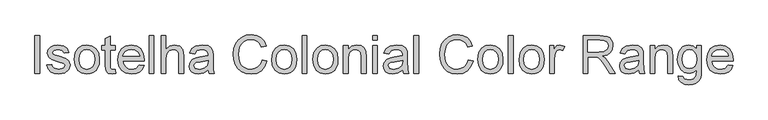
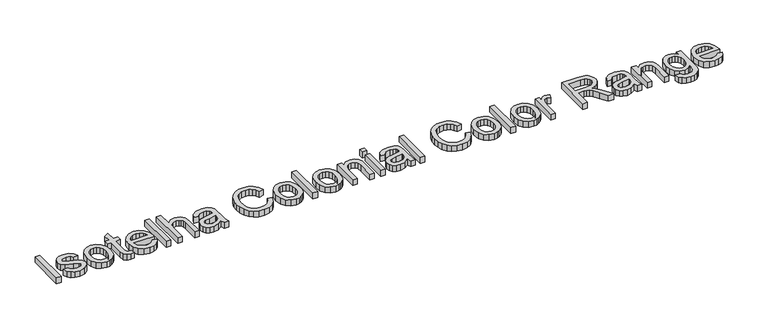
"""IFC4 building model written with IfcOpenShell, lengths in millimetres: proxy geometry."""

from ifc_helpers import new_model, si_unit, origin, origin_with_axes, place, context, project, spatial, polyline, outline, extrude, source, transform, mapped, element, save


def generic_models_64c111f4(model_context):
    return source(origin(), model_context, "Body", "SweptSolid", [
        extrude(outline(polyline([(-1367.9324109, 500.0), (-1367.9324109, 650.6844652), (-1349.0968527, 650.6844652), (-1349.0968527, 500.0), (-1367.9324109, 500.0)])), origin_with_axes(), (0.0, 0.0, 1.0), 25.0),
        extrude(outline(polyline([(-1320.8435155, 532.9622268), (-1302.0079573, 535.3166715), (-1299.0373102, 527.2600558), (-1293.289154, 521.3371557), (-1273.3131617, 516.4811134), (-1254.1097216, 520.9324855), (-1247.8557276, 531.3803342), (-1249.4284232, 536.1811942), (-1254.1465098, 539.8416201), (-1273.5338909, 545.2126972), (-1301.8975927, 554.4281412), (-1314.2768219, 565.1886895), (-1318.4890707, 580.3822159), (-1315.1045564, 594.4169141), (-1305.8707183, 605.1406742), (-1293.8961593, 610.7140864), (-1277.6909574, 613.0133489), (-1254.7719091, 609.3161349), (-1240.2037821, 599.3097446), (-1233.729059, 582.4055669), (-1252.5646172, 580.0511222), (-1259.6463456, 590.4437885), (-1276.2194295, 594.1777908), (-1294.2456472, 590.6093354), (-1299.6535126, 582.2952023), (-1297.4094324, 576.8137606), (-1290.3828863, 572.656694), (-1274.1592903, 568.6467803), (-1246.5129584, 559.7808242), (-1233.6738767, 549.7376457), (-1229.0201695, 533.366897), (-1234.4832171, 515.3406792), (-1250.2469606, 502.2624743), (-1273.5706791, 497.6455552), (-1292.5625871, 499.8712413), (-1306.4225413, 506.5482995), (-1315.6747735, 517.6031535), (-1320.8435155, 532.9622268)])), origin_with_axes(), (0.0, 0.0, 1.0), 25.0),
        extrude(outline(polyline([(-1212.5390561, 555.3294521), (-1208.464763, 582.0100938), (-1196.2418837, 600.7628785), (-1181.1403278, 609.9507313), (-1163.0589278, 613.0133489), (-1143.2714749, 609.2839452), (-1127.4663447, 598.095734), (-1117.105868, 580.3316322), (-1113.6523758, 556.8745565), (-1115.1790861, 537.8458603), (-1119.7592169, 523.3605067), (-1127.2594111, 512.5125864), (-1137.5463114, 504.3961898), (-1149.7645922, 499.3332139), (-1163.0589278, 497.6455552), (-1183.0855039, 501.3611634), (-1198.87224, 512.5079878), (-1209.1223521, 530.6445702), (-1212.5390561, 555.3294521)]), holes=[polyline([(-1193.7034979, 555.3662403), (-1191.5237971, 538.3195083), (-1184.9846947, 526.174804), (-1175.1438513, 518.904536), (-1163.0589278, 516.4811134), (-1151.0291865, 518.9183316), (-1141.2067372, 526.2299863), (-1134.6676348, 538.535639), (-1132.487934, 555.9548515), (-1134.6814303, 572.5049427), (-1141.2619195, 584.4841002), (-1151.0981644, 591.7543681), (-1163.0589278, 594.1777908), (-1175.1438513, 591.7635652), (-1184.9846947, 584.5208884), (-1191.5237971, 572.4037752), (-1193.7034979, 555.3662403)])]), origin_with_axes(), (0.0, 0.0, 1.0), 25.0),
        extrude(outline(polyline([(-1052.4368118, 515.7085612), (-1050.082367, 499.448177), (-1064.1722474, 497.6455552), (-1079.954385, 500.7725522), (-1087.8270597, 508.9763207), (-1090.1079281, 530.3502646), (-1090.1079281, 591.823346), (-1104.2345967, 591.823346), (-1104.2345967, 610.6589041), (-1090.1079281, 610.6589041), (-1090.1079281, 637.551078), (-1071.27237, 648.6243261), (-1071.27237, 610.6589041), (-1052.4368118, 610.6589041), (-1052.4368118, 591.823346), (-1071.27237, 591.823346), (-1071.27237, 530.9020876), (-1070.2790886, 521.1900029), (-1067.0601211, 517.7503063), (-1060.6405803, 516.4811134), (-1052.4368118, 515.7085612)])), origin_with_axes(), (0.0, 0.0, 1.0), 25.0),
        extrude(outline(polyline([(-956.1253055, 532.9622268), (-937.6576293, 530.607782), (-944.3116949, 516.6926455), (-954.929689, 506.2907821), (-969.2724883, 499.806862), (-987.1009695, 497.6455552), (-1009.2014803, 501.374959), (-1026.2068255, 512.5631701), (-1037.0501474, 530.4836218), (-1040.664588, 554.4097471), (-1037.0133592, 579.1406142), (-1026.0596727, 597.6358815), (-1009.2842538, 609.1689821), (-988.1678272, 613.0133489), (-967.7089898, 609.1781791), (-951.3612336, 597.6726697), (-940.642072, 579.2141906), (-937.0690181, 554.5201117), (-937.1793827, 549.4433402), (-1021.8290298, 549.4433402), (-1018.5686756, 535.3442627), (-1010.994905, 524.9791875), (-1000.0642113, 518.6056319), (-986.7330875, 516.4811134), (-968.2654113, 520.4174507), (-956.1253055, 532.9622268)]), holes=[polyline([(-1021.8290298, 568.2788983), (-955.9045763, 568.2788983), (-958.4521591, 578.2301063), (-963.4461572, 585.3486229), (-974.4274347, 591.9704988), (-988.2414036, 594.1777908), (-1000.937931, 592.4165557), (-1011.4363634, 587.1328506), (-1018.7342225, 578.8968924), (-1021.8290298, 568.2788983)])]), origin_with_axes(), (0.0, 0.0, 1.0), 25.0),
        extrude(outline(polyline([(-918.23346, 500.0), (-918.23346, 650.6844652), (-899.3979018, 650.6844652), (-899.3979018, 500.0), (-918.23346, 500.0)])), origin_with_axes(), (0.0, 0.0, 1.0), 25.0),
        extrude(outline(polyline([(-871.1445646, 500.0), (-871.1445646, 650.6844652), (-852.3090064, 650.6844652), (-852.3090064, 595.2814368), (-837.6213178, 608.5803709), (-819.5307207, 613.0133489), (-798.3775059, 608.1757007), (-785.5384243, 594.8031902), (-781.6756634, 570.0447319), (-781.6756634, 500.0), (-800.5112215, 500.0), (-800.5112215, 568.0949573), (-802.0103406, 579.8855753), (-806.507698, 587.960585), (-813.7549733, 592.6234893), (-823.5038462, 594.1777908), (-838.9364959, 589.983936), (-849.2371918, 578.6163824), (-852.3090064, 558.7875428), (-852.3090064, 500.0), (-871.1445646, 500.0)])), origin_with_axes(), (0.0, 0.0, 1.0), 25.0),
        extrude(outline(polyline([(-685.1434278, 514.1266686), (-703.4087689, 501.3611634), (-723.5870963, 497.6455552), (-739.3278472, 499.8804384), (-750.9391227, 506.5850877), (-758.099026, 516.7662219), (-760.4856604, 529.4305596), (-756.8804169, 544.3297804), (-747.4074555, 555.1455111), (-734.218886, 561.3259286), (-717.9217136, 564.15862), (-685.2537924, 570.6333431), (-685.1434278, 574.8271978), (-686.4402119, 583.2333014), (-690.3305639, 588.7331372), (-699.0309731, 592.8166274), (-711.1526849, 594.1777908), (-730.2089722, 590.5541531), (-739.2956575, 577.6966774), (-758.1312157, 580.0511222), (-749.9826295, 598.4452219), (-733.5750925, 609.2241644), (-708.7246637, 613.0133489), (-685.8975859, 609.6656228), (-673.003322, 601.2595192), (-667.2275747, 588.4756198), (-666.3078697, 571.9945065), (-666.3078697, 548.5604234), (-665.3513765, 515.8373199), (-661.5989801, 500.0), (-680.4345383, 500.0), (-685.1434278, 514.1266686)]), holes=[polyline([(-685.1434278, 551.7977849), (-715.5304806, 546.0220376), (-731.7356825, 542.968617), (-739.0749283, 538.0022101), (-741.6501023, 530.7549348), (-736.0399018, 520.5646035), (-719.5771826, 516.4811134), (-700.5208952, 520.9876678), (-688.2336366, 531.895369), (-685.2537924, 546.463496), (-685.1434278, 551.7977849)])]), origin_with_axes(), (0.0, 0.0, 1.0), 25.0),
        extrude(outline(polyline([(-473.2433986, 553.5636185), (-454.4078404, 548.7075762), (-463.0990526, 526.7588166), (-476.7382775, 510.7237602), (-494.6541307, 500.9151065), (-516.1752274, 497.6455552), (-538.0228194, 500.1195616), (-555.373054, 507.5415809), (-568.6719881, 519.6540956), (-578.3656787, 536.1995883), (-584.2839803, 555.6513488), (-586.2567475, 576.4826668), (-584.0264629, 598.454419), (-577.3356091, 617.4279329), (-566.533674, 632.8008017), (-551.9701456, 643.9706188), (-534.6980859, 650.7718372), (-515.7705572, 653.03891), (-495.1185817, 650.1050511), (-478.0442586, 641.3034743), (-465.0810168, 627.1768057), (-456.7622852, 608.2676712), (-475.5978434, 603.7795108), (-482.1277488, 617.5153048), (-491.0488872, 626.9376824), (-502.4716231, 632.3869345), (-516.5063212, 634.2033518), (-532.683932, 632.1891979), (-545.973669, 626.1467361), (-556.0582342, 616.710563), (-562.6203293, 604.5152748), (-567.4211894, 576.519455), (-566.0002452, 559.1186366), (-561.7374125, 544.072263), (-554.4717431, 531.9551498), (-544.0422886, 523.3421126), (-531.5388993, 518.1963632), (-518.0514256, 516.4811134), (-502.3290688, 518.8171641), (-489.2278713, 525.8253161), (-479.3364441, 537.431993), (-473.2433986, 553.5636185)])), origin_with_axes(), (0.0, 0.0, 1.0), 25.0),
        extrude(outline(polyline([(-435.5722823, 555.3294521), (-431.4979892, 582.0100938), (-419.2751099, 600.7628785), (-404.173554, 609.9507313), (-386.0921539, 613.0133489), (-366.3047011, 609.2839452), (-350.4995709, 598.095734), (-340.1390942, 580.3316322), (-336.685602, 556.8745565), (-338.2123123, 537.8458603), (-342.7924431, 523.3605067), (-350.2926373, 512.5125864), (-360.5795376, 504.3961898), (-372.7978183, 499.3332139), (-386.0921539, 497.6455552), (-406.1187301, 501.3611634), (-421.9054662, 512.5079878), (-432.1555783, 530.6445702), (-435.5722823, 555.3294521)]), holes=[polyline([(-416.7367241, 555.3662403), (-414.5570233, 538.3195083), (-408.0179209, 526.174804), (-398.1770775, 518.904536), (-386.0921539, 516.4811134), (-374.0624127, 518.9183316), (-364.2399634, 526.2299863), (-357.700861, 538.535639), (-355.5211601, 555.9548515), (-357.7146565, 572.5049427), (-364.2951457, 584.4841002), (-374.1313906, 591.7543681), (-386.0921539, 594.1777908), (-398.1770775, 591.7635652), (-408.0179209, 584.5208884), (-414.5570233, 572.4037752), (-416.7367241, 555.3662403)])]), origin_with_axes(), (0.0, 0.0, 1.0), 25.0),
        extrude(outline(polyline([(-315.4955991, 500.0), (-315.4955991, 650.6844652), (-296.6600409, 650.6844652), (-296.6600409, 500.0), (-315.4955991, 500.0)])), origin_with_axes(), (0.0, 0.0, 1.0), 25.0),
        extrude(outline(polyline([(-273.1155932, 555.3294521), (-269.0413001, 582.0100938), (-256.8184208, 600.7628785), (-241.7168649, 609.9507313), (-223.6354649, 613.0133489), (-203.8480121, 609.2839452), (-188.0428818, 598.095734), (-177.6824051, 580.3316322), (-174.2289129, 556.8745565), (-175.7556232, 537.8458603), (-180.335754, 523.3605067), (-187.8359482, 512.5125864), (-198.1228485, 504.3961898), (-210.3411293, 499.3332139), (-223.6354649, 497.6455552), (-243.662041, 501.3611634), (-259.4487771, 512.5079878), (-269.6988892, 530.6445702), (-273.1155932, 555.3294521)]), holes=[polyline([(-254.2800351, 555.3662403), (-252.1003342, 538.3195083), (-245.5612318, 526.174804), (-235.7203884, 518.904536), (-223.6354649, 516.4811134), (-211.6057236, 518.9183316), (-201.7832744, 526.2299863), (-195.2441719, 538.535639), (-193.0644711, 555.9548515), (-195.2579675, 572.5049427), (-201.8384567, 584.4841002), (-211.6747015, 591.7543681), (-223.6354649, 594.1777908), (-235.7203884, 591.7635652), (-245.5612318, 584.5208884), (-252.1003342, 572.4037752), (-254.2800351, 555.3662403)])]), origin_with_axes(), (0.0, 0.0, 1.0), 25.0),
        extrude(outline(polyline([(-153.03891, 500.0), (-153.03891, 610.6589041), (-134.2033518, 610.6589041), (-134.2033518, 595.2078604), (-119.8007717, 608.5619768), (-100.1374791, 613.0133489), (-82.3503846, 609.4264995), (-70.2102788, 600.0087204), (-64.5632902, 586.1579633), (-63.5700088, 567.9478045), (-63.5700088, 500.0), (-82.4055669, 500.0), (-82.4055669, 565.4094187), (-84.5760707, 582.0744731), (-92.2464103, 590.8852469), (-105.1774624, 594.1777908), (-116.2093238, 592.3291837), (-125.6133073, 586.7833627), (-132.0558407, 576.0687996), (-134.2033518, 558.7139664), (-134.2033518, 500.0), (-153.03891, 500.0)])), origin_with_axes(), (0.0, 0.0, 1.0), 25.0),
        extrude(outline(polyline([(-37.6711163, 631.8489071), (-37.6711163, 650.6844652), (-18.8355582, 650.6844652), (-18.8355582, 631.8489071), (-37.6711163, 631.8489071)])), origin_with_axes(), (0.0, 0.0, 1.0), 25.0),
        extrude(outline(polyline([(-37.6711163, 500.0), (-37.6711163, 610.6589041), (-18.8355582, 610.6589041), (-18.8355582, 500.0), (-37.6711163, 500.0)])), origin_with_axes(), (0.0, 0.0, 1.0), 25.0),
        extrude(outline(polyline([(80.0511222, 514.1266686), (61.7857811, 501.3611634), (41.6074537, 497.6455552), (25.8667028, 499.8804384), (14.2554273, 506.5850877), (7.095524, 516.7662219), (4.7088895, 529.4305596), (8.3141331, 544.3297804), (17.7870945, 555.1455111), (30.975664, 561.3259286), (47.2728364, 564.15862), (79.9407576, 570.6333431), (80.0511222, 574.8271978), (78.7543381, 583.2333014), (74.863986, 588.7331372), (66.1635768, 592.8166274), (54.0418651, 594.1777908), (34.9855777, 590.5541531), (25.8988925, 577.6966774), (7.0633343, 580.0511222), (15.2119205, 598.4452219), (31.6194575, 609.2241644), (56.4698863, 613.0133489), (79.2969641, 609.6656228), (92.191228, 601.2595192), (97.9669753, 588.4756198), (98.8866803, 571.9945065), (98.8866803, 548.5604234), (99.8431735, 515.8373199), (103.5955698, 500.0), (84.7600117, 500.0), (80.0511222, 514.1266686)]), holes=[polyline([(80.0511222, 551.7977849), (49.6640693, 546.0220376), (33.4588675, 542.968617), (26.1196217, 538.0022101), (23.5444477, 530.7549348), (29.1546481, 520.5646035), (45.6173674, 516.4811134), (64.6736548, 520.9876678), (76.9609134, 531.895369), (79.9407576, 546.463496), (80.0511222, 551.7977849)])]), origin_with_axes(), (0.0, 0.0, 1.0), 25.0),
        extrude(outline(polyline([(124.7855728, 500.0), (124.7855728, 650.6844652), (143.6211309, 650.6844652), (143.6211309, 500.0), (124.7855728, 500.0)])), origin_with_axes(), (0.0, 0.0, 1.0), 25.0),
        extrude(outline(polyline([(339.0400468, 553.5636185), (357.8756049, 548.7075762), (349.1843928, 526.7588166), (335.5451678, 510.7237602), (317.6293146, 500.9151065), (296.1082179, 497.6455552), (274.2606259, 500.1195616), (256.9103913, 507.5415809), (243.6114572, 519.6540956), (233.9177666, 536.1995883), (227.999465, 555.6513488), (226.0266978, 576.4826668), (228.2569824, 598.454419), (234.9478362, 617.4279329), (245.7497713, 632.8008017), (260.3132998, 643.9706188), (277.5853595, 650.7718372), (296.5128881, 653.03891), (317.1648636, 650.1050511), (334.2391867, 641.3034743), (347.2024285, 627.1768057), (355.5211601, 608.2676712), (336.685602, 603.7795108), (330.1556966, 617.5153048), (321.2345582, 626.9376824), (309.8118222, 632.3869345), (295.7771241, 634.2033518), (279.5995134, 632.1891979), (266.3097763, 626.1467361), (256.2252111, 616.710563), (249.663116, 604.5152748), (244.862256, 576.519455), (246.2832002, 559.1186366), (250.5460328, 544.072263), (257.8117022, 531.9551498), (268.2411568, 523.3421126), (280.7445461, 518.1963632), (294.2320197, 516.4811134), (309.9543765, 518.8171641), (323.0555741, 525.8253161), (332.9470012, 537.431993), (339.0400468, 553.5636185)])), origin_with_axes(), (0.0, 0.0, 1.0), 25.0),
        extrude(outline(polyline([(376.7111631, 555.3294521), (380.7854562, 582.0100938), (393.0083354, 600.7628785), (408.1098913, 609.9507313), (426.1912914, 613.0133489), (445.9787442, 609.2839452), (461.7838744, 598.095734), (472.1443511, 580.3316322), (475.5978434, 556.8745565), (474.0711331, 537.8458603), (469.4910022, 523.3605067), (461.9908081, 512.5125864), (451.7039078, 504.3961898), (439.485627, 499.3332139), (426.1912914, 497.6455552), (406.1647153, 501.3611634), (390.3779792, 512.5079878), (380.1278671, 530.6445702), (376.7111631, 555.3294521)]), holes=[polyline([(395.5467212, 555.3662403), (397.726422, 538.3195083), (404.2655245, 526.174804), (414.1063679, 518.904536), (426.1912914, 516.4811134), (438.2210327, 518.9183316), (448.0434819, 526.2299863), (454.5825844, 538.535639), (456.7622852, 555.9548515), (454.5687888, 572.5049427), (447.9882996, 584.4841002), (438.1520548, 591.7543681), (426.1912914, 594.1777908), (414.1063679, 591.7635652), (404.2655245, 584.5208884), (397.726422, 572.4037752), (395.5467212, 555.3662403)])]), origin_with_axes(), (0.0, 0.0, 1.0), 25.0),
        extrude(outline(polyline([(496.7878463, 500.0), (496.7878463, 650.6844652), (515.6234044, 650.6844652), (515.6234044, 500.0), (496.7878463, 500.0)])), origin_with_axes(), (0.0, 0.0, 1.0), 25.0),
        extrude(outline(polyline([(539.1678521, 555.3294521), (543.2421452, 582.0100938), (555.4650245, 600.7628785), (570.5665804, 609.9507313), (588.6479805, 613.0133489), (608.4354333, 609.2839452), (624.2405635, 598.095734), (634.6010402, 580.3316322), (638.0545324, 556.8745565), (636.5278222, 537.8458603), (631.9476913, 523.3605067), (624.4474971, 512.5125864), (614.1605968, 504.3961898), (601.9423161, 499.3332139), (588.6479805, 497.6455552), (568.6214044, 501.3611634), (552.8346683, 512.5079878), (542.5845562, 530.6445702), (539.1678521, 555.3294521)]), holes=[polyline([(558.0034103, 555.3662403), (560.1831111, 538.3195083), (566.7222136, 526.174804), (576.5630569, 518.904536), (588.6479805, 516.4811134), (600.6777217, 518.9183316), (610.500171, 526.2299863), (617.0392735, 538.535639), (619.2189743, 555.9548515), (617.0254779, 572.5049427), (610.4449887, 584.4841002), (600.6087439, 591.7543681), (588.6479805, 594.1777908), (576.5630569, 591.7635652), (566.7222136, 584.5208884), (560.1831111, 572.4037752), (558.0034103, 555.3662403)])]), origin_with_axes(), (0.0, 0.0, 1.0), 25.0),
        extrude(outline(polyline([(659.2445354, 500.0), (659.2445354, 610.6589041), (675.7256487, 610.6589041), (675.7256487, 594.2881554), (687.4242962, 609.3713172), (699.19652, 613.0133489), (718.1056546, 607.2008134), (711.8148725, 590.3150298), (698.5711206, 594.1777908), (687.9209369, 590.4621826), (681.1335141, 580.1614867), (678.0800935, 558.1621434), (678.0800935, 500.0), (659.2445354, 500.0)])), origin_with_axes(), (0.0, 0.0, 1.0), 25.0),
        extrude(outline(polyline([(791.0934424, 500.0), (791.0934424, 650.6844652), (856.0246146, 650.6844652), (886.1725441, 646.6193692), (895.4523674, 640.9907747), (902.6536575, 632.2351832), (907.275175, 621.3780658), (908.8156809, 609.4448936), (906.2634995, 594.6008551), (898.6069555, 582.2952023), (885.6161226, 573.2728964), (867.0610744, 568.2788983), (877.7664405, 560.2222826), (893.0335433, 540.8349015), (918.1598836, 500.0), (896.2709048, 500.0), (876.6627945, 531.2331814), (862.4993377, 551.9081495), (852.5481297, 561.6754165), (843.5902031, 565.2622659), (832.6641079, 565.9244535), (809.9290006, 565.9244535), (809.9290006, 500.0), (791.0934424, 500.0)]), holes=[polyline([(809.9290006, 584.7600117), (852.0882772, 584.7600117), (873.5909798, 587.4271562), (885.8046621, 595.9620184), (889.9801227, 608.7459178), (887.9889614, 617.9337706), (882.0154775, 625.3373958), (871.7377743, 630.2210292), (856.833955, 631.8489071), (809.9290006, 631.8489071), (809.9290006, 584.7600117)])]), origin_with_axes(), (0.0, 0.0, 1.0), 25.0),
        extrude(outline(polyline([(1010.056806, 514.1266686), (991.7914649, 501.3611634), (971.6131375, 497.6455552), (955.8723866, 499.8804384), (944.2611111, 506.5850877), (937.1012078, 516.7662219), (934.7145733, 529.4305596), (938.3198169, 544.3297804), (947.7927783, 555.1455111), (960.9813478, 561.3259286), (977.2785202, 564.15862), (1009.9464414, 570.6333431), (1010.056806, 574.8271978), (1008.7600219, 583.2333014), (1004.8696698, 588.7331372), (996.1692606, 592.8166274), (984.0475489, 594.1777908), (964.9912615, 590.5541531), (955.9045763, 577.6966774), (937.0690181, 580.0511222), (945.2176043, 598.4452219), (961.6251413, 609.2241644), (986.4755701, 613.0133489), (1009.3026479, 609.6656228), (1022.1969118, 601.2595192), (1027.9726591, 588.4756198), (1028.8923641, 571.9945065), (1028.8923641, 548.5604234), (1029.8488573, 515.8373199), (1033.6012536, 500.0), (1014.7656955, 500.0), (1010.056806, 514.1266686)]), holes=[polyline([(1010.056806, 551.7977849), (979.6697532, 546.0220376), (963.4645513, 542.968617), (956.1253055, 538.0022101), (953.5501315, 530.7549348), (959.1603319, 520.5646035), (975.6230512, 516.4811134), (994.6793386, 520.9876678), (1006.9665972, 531.895369), (1009.9464414, 546.463496), (1010.056806, 551.7977849)])]), origin_with_axes(), (0.0, 0.0, 1.0), 25.0),
        extrude(outline(polyline([(1054.7912566, 500.0), (1054.7912566, 610.6589041), (1073.6268147, 610.6589041), (1073.6268147, 595.2078604), (1088.0293948, 608.5619768), (1107.6926875, 613.0133489), (1125.4797819, 609.4264995), (1137.6198878, 600.0087204), (1143.2668764, 586.1579633), (1144.2601578, 567.9478045), (1144.2601578, 500.0), (1125.4245996, 500.0), (1125.4245996, 565.4094187), (1123.2540959, 582.0744731), (1115.5837563, 590.8852469), (1102.6527041, 594.1777908), (1091.6208428, 592.3291837), (1082.2168593, 586.7833627), (1075.7743259, 576.0687996), (1073.6268147, 558.7139664), (1073.6268147, 500.0), (1054.7912566, 500.0)])), origin_with_axes(), (0.0, 0.0, 1.0), 25.0),
        extrude(outline(polyline([(1165.4501607, 490.5822209), (1184.2857189, 488.2277762), (1190.39256, 478.2949623), (1208.6762952, 474.1011075), (1227.9533117, 478.8467853), (1237.1503616, 492.1641135), (1238.4379486, 514.1266686), (1225.1758026, 503.5316672), (1209.0073889, 500.0), (1189.5878181, 504.1110813), (1175.1070631, 516.4443252), (1166.0985527, 534.5257252), (1163.095716, 555.8812751), (1168.4851872, 585.0727114), (1175.0794719, 596.9231102), (1184.0833838, 605.7292854), (1195.1888215, 611.192333), (1208.087684, 613.0133489), (1224.8906941, 608.8930706), (1238.4379486, 596.5322355), (1238.4379486, 610.6589041), (1257.2735067, 610.6589041), (1257.2735067, 515.11995), (1255.9859197, 493.0608259), (1252.1231588, 478.5340856), (1245.4690932, 468.9001758), (1235.8075923, 461.5195433), (1223.3501882, 456.8290479), (1208.3084132, 455.2655494), (1190.7834346, 457.4682428), (1176.9832613, 464.0763232), (1168.1311008, 475.1081845), (1165.4501607, 490.5822209)]), holes=[polyline([(1181.9312741, 557.1688621), (1183.9408295, 539.8922039), (1189.9694957, 528.0142139), (1199.0331884, 521.1302221), (1210.1478231, 518.8355582), (1221.1796845, 521.1164265), (1230.2893624, 527.9590316), (1236.400802, 539.6852702), (1238.4379486, 556.6170391), (1236.3410212, 572.9464011), (1230.0502391, 584.7048294), (1220.8072039, 591.8095504), (1209.8535175, 594.1777908), (1199.0975677, 591.8463386), (1190.0798603, 584.8519822), (1183.9684207, 573.2682979), (1181.9312741, 557.1688621)])]), origin_with_axes(), (0.0, 0.0, 1.0), 25.0),
        extrude(outline(polyline([(1363.0027921, 532.9622268), (1381.4704683, 530.607782), (1374.8164027, 516.6926455), (1364.1984086, 506.2907821), (1349.8556093, 499.806862), (1332.0271281, 497.6455552), (1309.9266173, 501.374959), (1292.921272, 512.5631701), (1282.0779502, 530.4836218), (1278.4635096, 554.4097471), (1282.1147384, 579.1406142), (1293.0684248, 597.6358815), (1309.8438438, 609.1689821), (1330.9602704, 613.0133489), (1351.4191078, 609.1781791), (1367.766864, 597.6726697), (1378.4860256, 579.2141906), (1382.0590795, 554.5201117), (1381.9487149, 549.4433402), (1297.2990678, 549.4433402), (1300.559422, 535.3442627), (1308.1331925, 524.9791875), (1319.0638863, 518.6056319), (1332.3950101, 516.4811134), (1350.8626863, 520.4174507), (1363.0027921, 532.9622268)]), holes=[polyline([(1297.2990678, 568.2788983), (1363.2235213, 568.2788983), (1360.6759385, 578.2301063), (1355.6819404, 585.3486229), (1344.7006629, 591.9704988), (1330.886694, 594.1777908), (1318.1901666, 592.4165557), (1307.6917342, 587.1328506), (1300.3938751, 578.8968924), (1297.2990678, 568.2788983)])]), origin_with_axes(), (0.0, 0.0, 1.0), 25.0),
    ])


if __name__ == "__main__":
    model = new_model("IFC4")
    model_context = context("Model", 3, world=origin())
    ifc_project = project(units=[si_unit("LENGTHUNIT", "METRE", prefix="MILLI")], contexts=[model_context])
    site = spatial("IfcSite", under=ifc_project)
    building = spatial("IfcBuilding", under=site)
    placement = place(None, origin())
    generic_models_shape = generic_models_64c111f4(model_context)
    element("IfcBuildingElementProxy", 1, Name="Generic Models", at=placement, inside=building, context=model_context, shape_type="MappedRepresentation", body=[
        mapped(generic_models_shape, transform((0.0, 0.0, 0.0), x_axis=(1.0, 0.0, 0.0), y_axis=(0.0, 1.0, 0.0), z_axis=(0.0, 0.0, 1.0))),
    ])
    save(model, "model.ifc")
